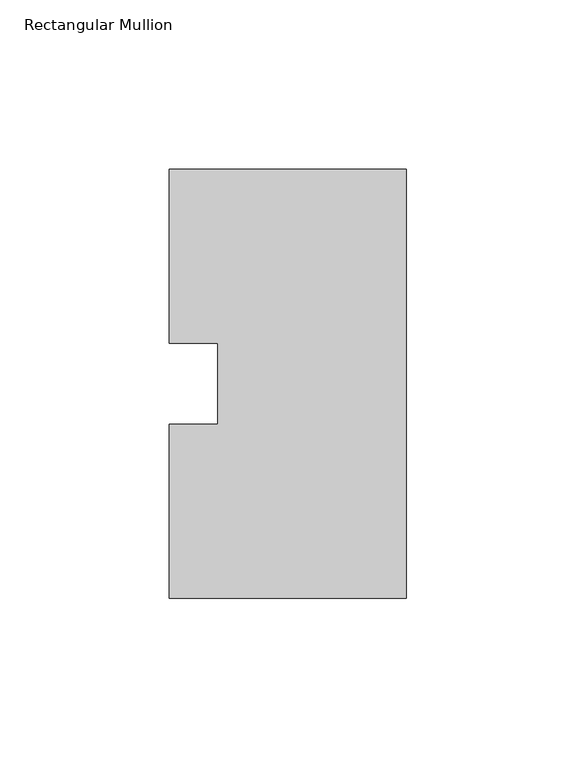
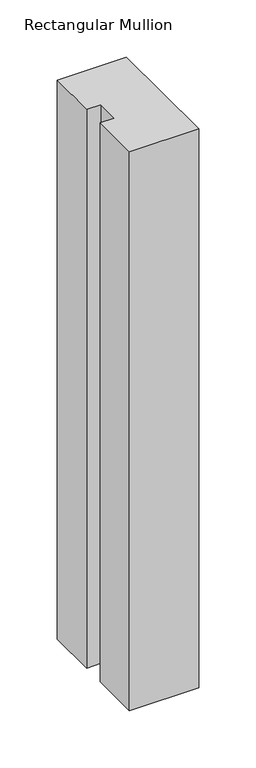
"""IFC4 building model written with IfcOpenShell, lengths in millimetres: member geometry, Rectangular Mullion."""

from ifc_helpers import new_model, si_unit, frame, origin, place, context, project, spatial, polyline, outline, extrude, source, transform, mapped, element, save


def rectangular_mullion_b3d57153(model_context):
    return source(origin(), model_context, "Body", "SweptSolid", [
        extrude(outline(polyline([(0.0, 126.75235), (0.0, 0.26035), (-69.85, 0.26035), (-69.85, 51.60645), (-55.5625, 51.60645), (-55.5625, 75.40625), (-69.85, 75.40625), (-69.85, 126.75235), (0.0, 126.75235)])), frame((0.0, 0.0, -596.9063826), z_axis=(0.0, 0.0, 1.0), x_axis=(1.0, 0.0, 0.0)), (0.0, 0.0, 1.0), 596.9063826),
    ])


if __name__ == "__main__":
    model = new_model("IFC4")
    model_context = context("Model", 3, world=origin())
    ifc_project = project(units=[si_unit("LENGTHUNIT", "METRE", prefix="MILLI")], contexts=[model_context])
    site = spatial("IfcSite", under=ifc_project)
    building = spatial("IfcBuilding", under=site)
    placement = place(None, origin())
    rectangular_mullion_shape = rectangular_mullion_b3d57153(model_context)
    element("IfcMember", 1, ObjectType="Rectangular Mullion", at=placement, inside=building, context=model_context, shape_type="MappedRepresentation", body=[
        mapped(rectangular_mullion_shape, transform((0.0, 0.0, 0.0), x_axis=(1.0, 0.0, 0.0), y_axis=(0.0, 1.0, 0.0), z_axis=(0.0, 0.0, 1.0))),
    ])
    save(model, "model.ifc")
